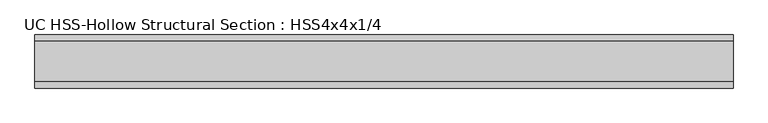
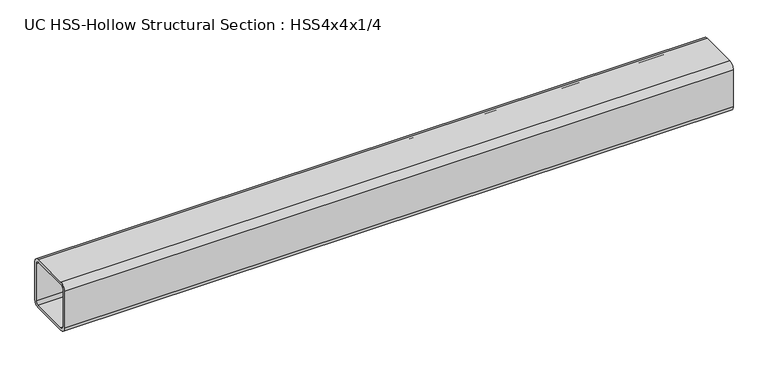
"""IFC4 building model written with IfcOpenShell, lengths in millimetres: beam geometry, UC HSS-Hollow Structural Section : HSS4x4x1/4."""

from ifc_helpers import new_model, si_unit, point, frame, frame_2d, origin, place, context, project, spatial, polyline, circle_curve, trimmed, segment, composite_curve, outline, extrude, source, transform, mapped, element, save


def uc_hss_hollow_structural_section_hss4x4x1_4_be3794c9(model_context):
    return source(origin(), model_context, "Body", "SweptSolid", [
        extrude(outline(composite_curve([segment(trimmed(circle_curve(frame_2d((-38.9636, 38.9636)), 11.8364), [point((-50.8, 38.9636))], [point((-38.9636, 50.8))], False, "CARTESIAN"), True, "CONTINUOUS"), segment(polyline([(-38.9636, 50.8), (38.9636, 50.8)]), True, "CONTINUOUS"), segment(trimmed(circle_curve(frame_2d((38.9636, 38.9636)), 11.8364), [point((38.9636, 50.8))], [point((50.8, 38.9636))], False, "CARTESIAN"), True, "CONTINUOUS"), segment(polyline([(50.8, 38.9636), (50.8, -38.9636)]), True, "CONTINUOUS"), segment(trimmed(circle_curve(frame_2d((38.9636, -38.9636)), 11.8364), [point((50.8, -38.9636))], [point((38.9636, -50.8))], False, "CARTESIAN"), True, "CONTINUOUS"), segment(polyline([(38.9636, -50.8), (-38.9636, -50.8)]), True, "CONTINUOUS"), segment(trimmed(circle_curve(frame_2d((-38.9636, -38.9636)), 11.8364), [point((-38.9636, -50.8))], [point((-50.8, -38.9636))], False, "CARTESIAN"), True, "CONTINUOUS"), segment(polyline([(-50.8, -38.9636), (-50.8, 38.9636)]), True, "CONTINUOUS")], self_intersect=False), holes=[composite_curve([segment(polyline([(38.9636, 44.8818), (-38.9636, 44.8818)]), True, "CONTINUOUS"), segment(trimmed(circle_curve(frame_2d((-38.9636, 38.9636)), 5.9182), [point((-38.9636, 44.8818))], [point((-44.8818, 38.9636))], True, "CARTESIAN"), True, "CONTINUOUS"), segment(polyline([(-44.8818, 38.9636), (-44.8818, -38.9636)]), True, "CONTINUOUS"), segment(trimmed(circle_curve(frame_2d((-38.9636, -38.9636)), 5.9182), [point((-44.8818, -38.9636))], [point((-38.9636, -44.8818))], True, "CARTESIAN"), True, "CONTINUOUS"), segment(polyline([(-38.9636, -44.8818), (38.9636, -44.8818)]), True, "CONTINUOUS"), segment(trimmed(circle_curve(frame_2d((38.9636, -38.9636)), 5.9182), [point((38.9636, -44.8818))], [point((44.8818, -38.9636))], True, "CARTESIAN"), True, "CONTINUOUS"), segment(polyline([(44.8818, -38.9636), (44.8818, 38.9636)]), True, "CONTINUOUS"), segment(trimmed(circle_curve(frame_2d((38.9636, 38.9636)), 5.9182), [point((44.8818, 38.9636))], [point((38.9636, 44.8818))], True, "CARTESIAN"), True, "CONTINUOUS")], self_intersect=False)]), frame((-641.35, 0.0, 0.0), z_axis=(1.0, 0.0, 0.0), x_axis=(0.0, 1.0, 0.0)), (0.0, 0.0, 1.0), 1334.0594614),
    ])


if __name__ == "__main__":
    model = new_model("IFC4")
    model_context = context("Model", 3, world=origin())
    ifc_project = project(units=[si_unit("LENGTHUNIT", "METRE", prefix="MILLI")], contexts=[model_context])
    site = spatial("IfcSite", under=ifc_project)
    building = spatial("IfcBuilding", under=site)
    placement = place(None, origin())
    uc_hss_hollow_structural_section_hss4x4x1_4_shape = uc_hss_hollow_structural_section_hss4x4x1_4_be3794c9(model_context)
    element("IfcBeam", 1, ObjectType="UC HSS-Hollow Structural Section : HSS4x4x1/4", at=placement, inside=building, context=model_context, shape_type="MappedRepresentation", body=[
        mapped(uc_hss_hollow_structural_section_hss4x4x1_4_shape, transform((0.0, 0.0, 0.0), x_axis=(1.0, 0.0, 0.0), y_axis=(0.0, 1.0, 0.0), z_axis=(0.0, 0.0, 1.0))),
    ])
    save(model, "model.ifc")
